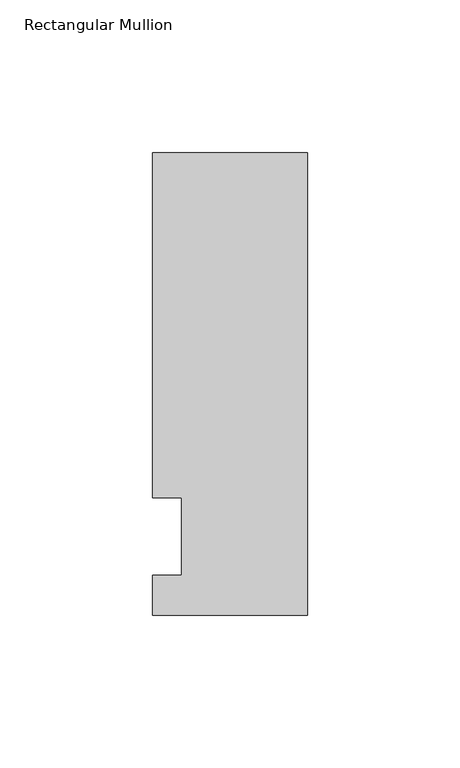
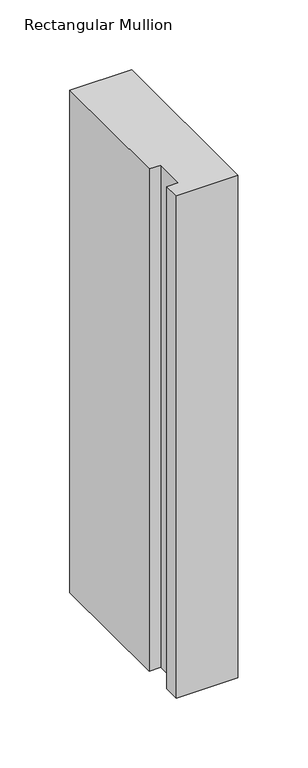
"""IFC4 building model written with IfcOpenShell, lengths in millimetres: member geometry, Rectangular Mullion."""

from ifc_helpers import new_model, si_unit, frame, origin, place, context, project, spatial, polyline, outline, extrude, source, transform, mapped, element, save


def rectangular_mullion_b69de0b0(model_context):
    return source(origin(), model_context, "Body", "SweptSolid", [
        extrude(outline(polyline([(-50.8, -25.7961253), (-50.8, -12.7), (-41.275, -12.7), (-41.275, 12.7), (-50.8, 12.7), (-50.8, 125.8036906), (0.0, 125.8036906), (0.0, -25.7961253), (-50.8, -25.7961253)])), frame((0.0, 0.0, -438.15), z_axis=(0.0, 0.0, 1.0), x_axis=(1.0, 0.0, 0.0)), (0.0, 0.0, 1.0), 438.15),
    ])


if __name__ == "__main__":
    model = new_model("IFC4")
    model_context = context("Model", 3, world=origin())
    ifc_project = project(units=[si_unit("LENGTHUNIT", "METRE", prefix="MILLI")], contexts=[model_context])
    site = spatial("IfcSite", under=ifc_project)
    building = spatial("IfcBuilding", under=site)
    placement = place(None, origin())
    rectangular_mullion_shape = rectangular_mullion_b69de0b0(model_context)
    element("IfcMember", 1, ObjectType="Rectangular Mullion", at=placement, inside=building, context=model_context, shape_type="MappedRepresentation", body=[
        mapped(rectangular_mullion_shape, transform((0.0, 0.0, 0.0), x_axis=(1.0, 0.0, 0.0), y_axis=(0.0, 1.0, 0.0), z_axis=(0.0, 0.0, 1.0))),
    ])
    save(model, "model.ifc")
